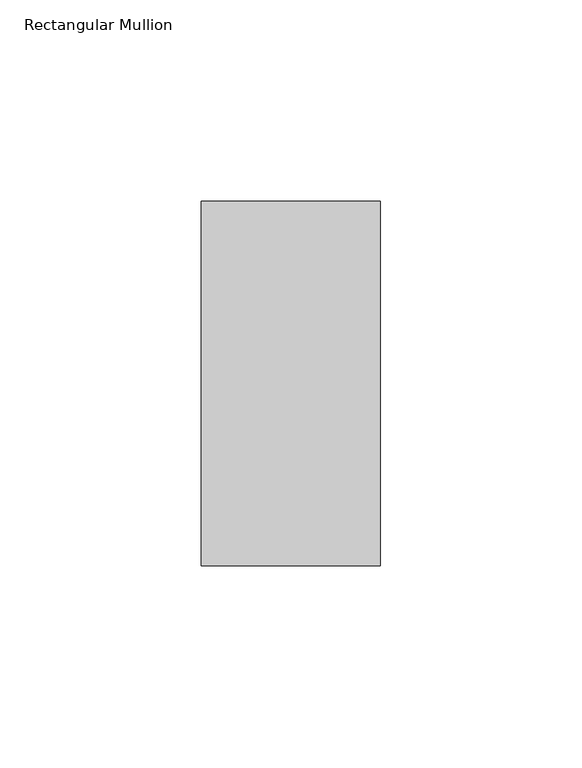
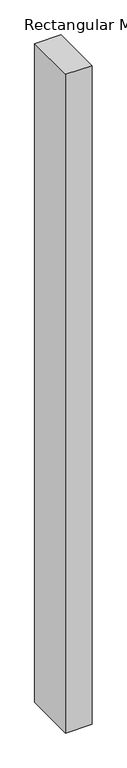
"""IFC4 building model written with IfcOpenShell, lengths in millimetres: member geometry, Rectangular Mullion."""

from ifc_helpers import new_model, si_unit, frame, origin, place, context, project, spatial, polyline, outline, extrude, source, transform, mapped, element, save


def rectangular_mullion_5f2a14ab(model_context):
    return source(origin(), model_context, "Body", "SweptSolid", [
        extrude(outline(polyline([(22.225, 45.2274954), (22.225, -45.2274954), (-22.225, -45.2274954), (-22.225, 45.2274954), (22.225, 45.2274954)])), frame((0.0, 0.0, -1174.7752103), z_axis=(0.0, 0.0, 1.0), x_axis=(1.0, 0.0, 0.0)), (0.0, 0.0, 1.0), 1174.7752103),
    ])


if __name__ == "__main__":
    model = new_model("IFC4")
    model_context = context("Model", 3, world=origin())
    ifc_project = project(units=[si_unit("LENGTHUNIT", "METRE", prefix="MILLI")], contexts=[model_context])
    site = spatial("IfcSite", under=ifc_project)
    building = spatial("IfcBuilding", under=site)
    placement = place(None, origin())
    rectangular_mullion_shape = rectangular_mullion_5f2a14ab(model_context)
    element("IfcMember", 1, ObjectType="Rectangular Mullion", at=placement, inside=building, context=model_context, shape_type="MappedRepresentation", body=[
        mapped(rectangular_mullion_shape, transform((0.0, 0.0, 0.0), x_axis=(1.0, 0.0, 0.0), y_axis=(0.0, 1.0, 0.0), z_axis=(0.0, 0.0, 1.0))),
    ])
    save(model, "model.ifc")
